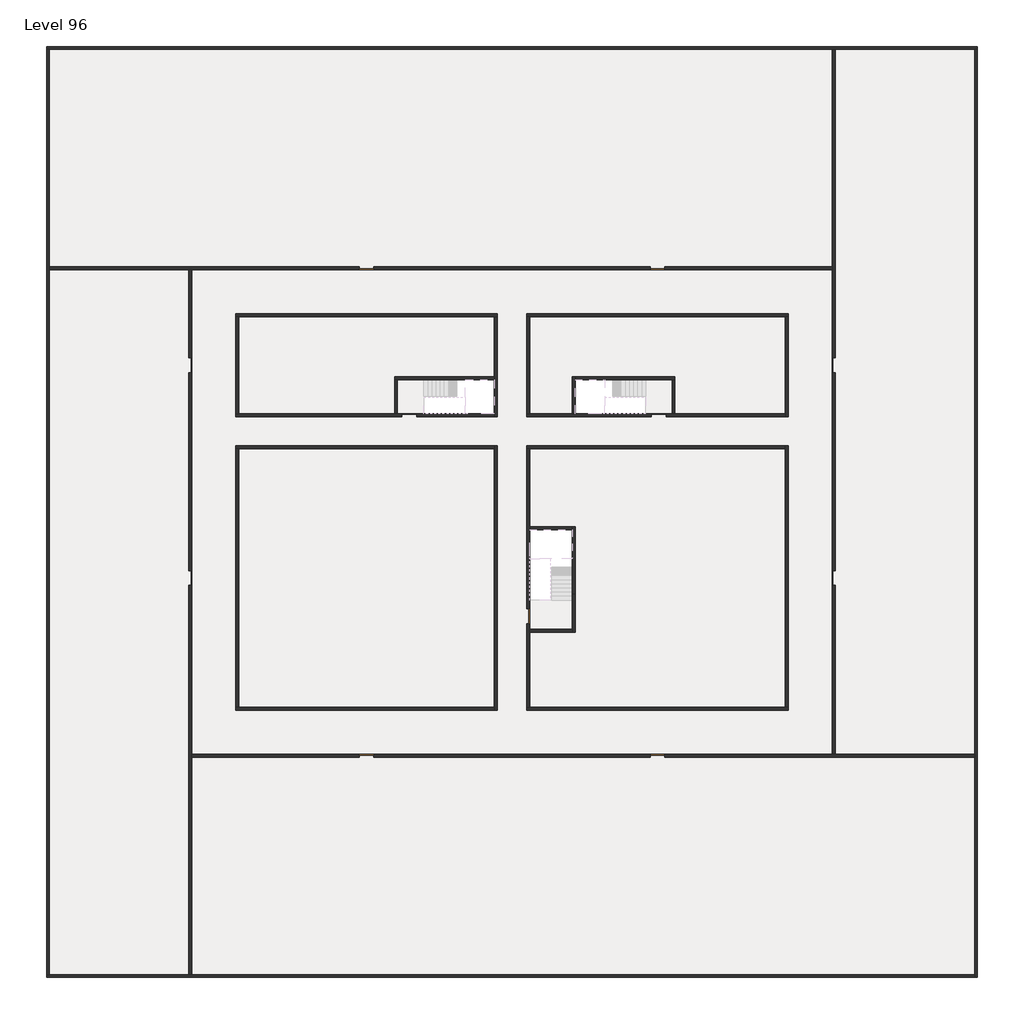
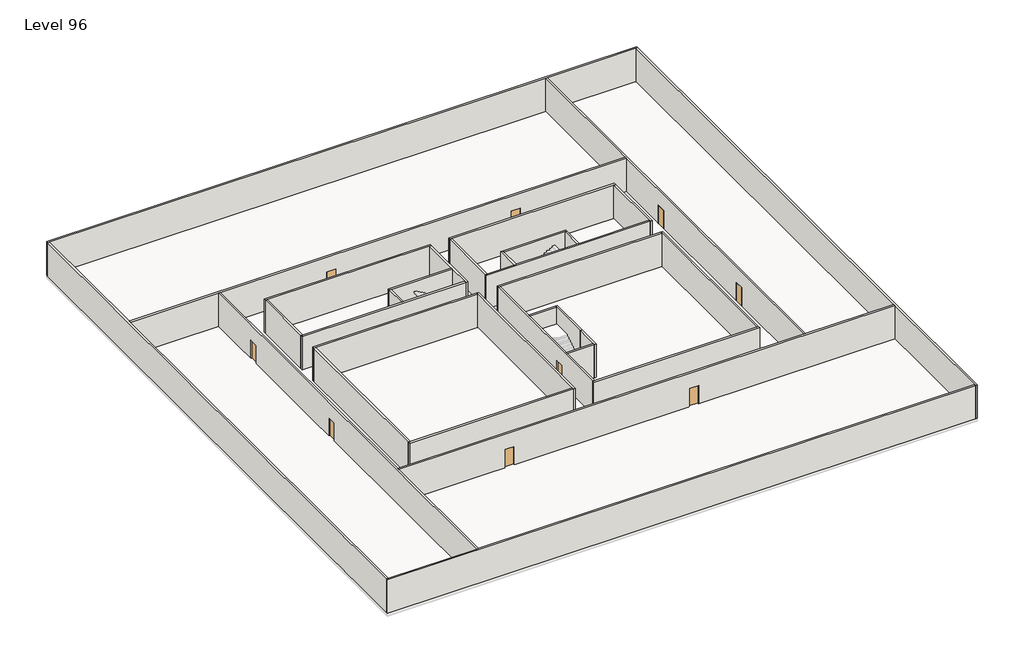
# One storey, part 1 of 2: 33 walls, 11 doors.
"""IFC4 building model written with IfcOpenShell, lengths in millimetres."""

import ifcopenshell
import ifcopenshell.guid

model = None  # the IFC model being written
_history = None  # IfcOwnerHistory: only IFC2X3 demands one
_inside = {}  # id of a spatial element -> (the spatial element, [elements in it])
_under = {}  # id of a project, library or spatial element -> (it, [spatial elements below it])
_declared = {}  # id of a project -> (the project, [libraries it declares])
_typed = {}  # id of a type object -> (the type object, [elements of that type])
_made_of = {}  # id of a material, layer set ... -> (it, [elements and type objects made of it])


def new_model(schema):
    """Start an empty IFC model of exactly this schema.

    Asked for "IFC4X3", IfcOpenShell would pick the latest addendum, in which some entities
    have other attributes; the version numbers below select the first issue.
    IFC2X3 requires an IfcOwnerHistory on every rooted entity: one is made here for all.
    """
    global model, _history
    if schema == "IFC4X3":
        model = ifcopenshell.file(schema_version=(4, 3, 0, 0))
    else:
        model = ifcopenshell.file(schema=schema)
    _inside.clear()
    _under.clear()
    _declared.clear()
    _typed.clear()
    _made_of.clear()
    _history = None
    if model.schema == "IFC2X3":
        org = make("IfcOrganization", Name="unknown")
        user = make(
            "IfcPersonAndOrganization",
            ThePerson=make("IfcPerson", FamilyName="unknown"),
            TheOrganization=org,
        )
        app = make(
            "IfcApplication",
            ApplicationDeveloper=org,
            Version="unknown",
            ApplicationFullName="unknown",
            ApplicationIdentifier="unknown",
        )
        _history = make(
            "IfcOwnerHistory",
            OwningUser=user,
            OwningApplication=app,
            ChangeAction="ADDED",
            CreationDate=0,
        )
    return model


def make(cls, **values):
    """One entity of the class cls with the attributes given. An attribute that is None is left unset."""
    return model.create_entity(
        cls, **{name: value for name, value in values.items() if value is not None}
    )


def rooted(cls, **values):
    """An entity with a GlobalId (a new one), such as an element, a storey or a relation."""
    return make(cls, GlobalId=ifcopenshell.guid.new(), OwnerHistory=_history, **values)


def si_unit(unit_type, name, prefix=None):
    """IfcSIUnit, for example si_unit("LENGTHUNIT", "METRE", prefix="MILLI")."""
    return make("IfcSIUnit", UnitType=unit_type, Prefix=prefix, Name=name)


def assignment(units):
    """IfcUnitAssignment: the units of a project."""
    return None if units is None else make("IfcUnitAssignment", Units=units)


def point(xyz):
    """IfcCartesianPoint."""
    return None if xyz is None else make("IfcCartesianPoint", Coordinates=xyz)


def direction(xyz):
    """IfcDirection."""
    return None if xyz is None else make("IfcDirection", DirectionRatios=xyz)


def frame(location, z_axis=None, x_axis=None):
    """IfcAxis2Placement3D, a coordinate frame: its origin and axes. An axis left out is left unset."""
    return make(
        "IfcAxis2Placement3D",
        Location=point(location),
        Axis=direction(z_axis),
        RefDirection=direction(x_axis),
    )


def origin():
    """The frame at (0, 0, 0) with its axes left unset."""
    return frame((0.0, 0.0, 0.0))


def origin_with_axes():
    """The frame at (0, 0, 0) with the z axis (0, 0, 1) and the x axis (1, 0, 0) written out."""
    return frame((0.0, 0.0, 0.0), z_axis=(0.0, 0.0, 1.0), x_axis=(1.0, 0.0, 0.0))


def place(relative_to, where):
    """IfcLocalPlacement: puts the frame where relative to a parent placement (None: the world)."""
    return make(
        "IfcLocalPlacement", PlacementRelTo=relative_to, RelativePlacement=where
    )


def context(
    kind, dimensions, precision=None, world=None, true_north=None, identifier=None
):
    """IfcGeometricRepresentationContext, for example the 3D "Model" context."""
    return make(
        "IfcGeometricRepresentationContext",
        ContextIdentifier=identifier,
        ContextType=kind,
        CoordinateSpaceDimension=dimensions,
        Precision=precision,
        WorldCoordinateSystem=world,
        TrueNorth=true_north,
    )


def project(units=None, contexts=None):
    """IfcProject with its units and contexts."""
    return rooted(
        "IfcProject",
        Name="project",
        RepresentationContexts=contexts,
        UnitsInContext=assignment(units),
    )


def spatial(cls, under=None, at=None, **own):
    """A site, building, storey or space (cls), placed at a placement, below another one or the project."""
    s = rooted(cls, ObjectPlacement=at, **own)
    if under is not None:
        _under.setdefault(under.id(), (under, []))[1].append(s)
    return s


def polyline(points):
    """IfcPolyline through the points."""
    return make("IfcPolyline", Points=[point(p) for p in points])


def outline(outer, holes=None, kind="AREA"):
    """IfcArbitraryClosedProfileDef: a profile drawn as a closed curve; with holes, ...WithVoids."""
    if holes is None:
        return make("IfcArbitraryClosedProfileDef", ProfileType=kind, OuterCurve=outer)
    return make(
        "IfcArbitraryProfileDefWithVoids",
        ProfileType=kind,
        OuterCurve=outer,
        InnerCurves=holes,
    )


def extrude(swept, where, along, depth):
    """IfcExtrudedAreaSolid: the profile swept, set in the frame where, extruded along a direction by depth."""
    return make(
        "IfcExtrudedAreaSolid",
        SweptArea=swept,
        Position=where,
        ExtrudedDirection=direction(along),
        Depth=depth,
    )


def faces_of(points, faces, orient=None, outer=None):
    """IfcFace entities. A face is a list of loops; a loop is a list of indices into points, from 0.

    orient and outer hold one flag for each loop. By default every Orientation is true, the
    first loop of a face is its IfcFaceOuterBound and the others are IfcFaceBound.
    """
    made = []
    for i, loops in enumerate(faces):
        bounds = []
        for j, loop in enumerate(loops):
            is_outer = j == 0 if outer is None else outer[i][j]
            bounds.append(
                make(
                    "IfcFaceOuterBound" if is_outer else "IfcFaceBound",
                    Bound=make("IfcPolyLoop", Polygon=[points[k] for k in loop]),
                    Orientation=True if orient is None else orient[i][j],
                )
            )
        made.append(make("IfcFace", Bounds=bounds))
    return made


def faceted_brep(points, faces, orient=None, outer=None, voids=None):
    """IfcFacetedBrep: a solid bounded by flat faces; with voids (closed shells), ...WithVoids."""
    shared = [point(p) for p in points]
    hull = make("IfcClosedShell", CfsFaces=faces_of(shared, faces, orient, outer))
    if voids is None:
        return make("IfcFacetedBrep", Outer=hull)
    return make(
        "IfcFacetedBrepWithVoids",
        Outer=hull,
        Voids=[
            make(cls, CfsFaces=faces_of(shared, fs, o, b)) for cls, fs, o, b in voids
        ],
    )


def shape(context_of_items, identifier, shape_type, items):
    """IfcShapeRepresentation: the items that make up one representation, for example the "Body"."""
    return make(
        "IfcShapeRepresentation",
        ContextOfItems=context_of_items,
        RepresentationIdentifier=identifier,
        RepresentationType=shape_type,
        Items=items,
    )


def source(mapping_origin, context_of_items, identifier, shape_type, items):
    """IfcRepresentationMap: a shape defined once, which mapped items show again and again."""
    return make(
        "IfcRepresentationMap",
        MappingOrigin=mapping_origin,
        MappedRepresentation=shape(context_of_items, identifier, shape_type, items),
    )


def transform(
    local_origin,
    x_axis=None,
    y_axis=None,
    z_axis=None,
    scale=None,
    scale2=None,
    scale3=None,
    uniform=True,
):
    """IfcCartesianTransformationOperator3D, or its non-uniform kind. x_axis, y_axis, z_axis: its Axis1, 2, 3."""
    if uniform:
        return make(
            "IfcCartesianTransformationOperator3D",
            Axis1=direction(x_axis),
            Axis2=direction(y_axis),
            LocalOrigin=point(local_origin),
            Scale=scale,
            Axis3=direction(z_axis),
        )
    return make(
        "IfcCartesianTransformationOperator3DnonUniform",
        Axis1=direction(x_axis),
        Axis2=direction(y_axis),
        LocalOrigin=point(local_origin),
        Scale=scale,
        Axis3=direction(z_axis),
        Scale2=scale2,
        Scale3=scale3,
    )


def mapped(mapping_source, mapping_target):
    """IfcMappedItem: shows the shape of a source again, moved by a transform."""
    return make(
        "IfcMappedItem", MappingSource=mapping_source, MappingTarget=mapping_target
    )


def made_of(thing, what):
    """Note that an element or type object is made of a material, layer set ...; save() writes the relation."""
    if what is not None:
        _made_of.setdefault(what.id(), (what, []))[1].append(thing)
    return thing


def element(
    cls,
    number,
    at=None,
    inside=None,
    cuts=None,
    type_object=None,
    material=None,
    context=None,
    identifier="Body",
    shape_type=None,
    held_by="IfcProductDefinitionShape",
    body=None,
    shapes=None,
    **own,
):
    """One element of the class cls, such as IfcWall. Its Tag is "e" and its number.

    at: its placement. inside: the storey or other place that contains it. cuts: it is an
    opening in that element (IfcRelVoidsElement). A single representation is given by context,
    identifier, shape_type and body (its items); several are given by shapes. held_by: the class
    of the entity that holds the representations. save() writes the other relations.
    """
    e = rooted(cls, Tag="e%d" % number, ObjectPlacement=at, **own)
    if body is not None:
        shapes = [shape(context, identifier, shape_type, body)]
    if shapes is not None:
        e.Representation = make(held_by, Representations=shapes)
    if inside is not None:
        _inside.setdefault(inside.id(), (inside, []))[1].append(e)
    if cuts is not None:
        rooted(
            "IfcRelVoidsElement", RelatingBuildingElement=cuts, RelatedOpeningElement=e
        )
    if type_object is not None:
        _typed.setdefault(type_object.id(), (type_object, []))[1].append(e)
    return made_of(e, material)


def aggregate(whole, parts):
    """IfcRelAggregates: a whole, such as a stair, and the parts it consists of."""
    return rooted("IfcRelAggregates", RelatingObject=whole, RelatedObjects=parts)


def save(model, path):
    """Write the relations noted so far, then the file.

    IfcRelAggregates (storeys below a building ...), IfcRelContainedInSpatialStructure (elements
    in a storey), IfcRelDefinesByType, IfcRelAssociatesMaterial and IfcRelDeclares: one each for
    every whole, place, type object, material and project.
    """
    for whole, parts in _under.values():
        aggregate(whole, parts)
    for where, things in _inside.values():
        rooted(
            "IfcRelContainedInSpatialStructure",
            RelatedElements=things,
            RelatingStructure=where,
        )
    for kind, things in _typed.values():
        rooted("IfcRelDefinesByType", RelatedObjects=things, RelatingType=kind)
    for what, things in _made_of.values():
        rooted("IfcRelAssociatesMaterial", RelatedObjects=things, RelatingMaterial=what)
    for by, libraries in _declared.values():
        rooted("IfcRelDeclares", RelatingContext=by, RelatedDefinitions=libraries)
    model.write(path)


def door_fb3c37fd(model_context):
    return source(origin(), model_context, "Body", "SweptSolid", [
        extrude(outline(polyline([(500.0, 49.0), (-500.0, 49.0), (-500.0, 100.0), (500.0, 100.0), (500.0, 49.0)])), origin_with_axes(), (0.0, 0.0, 1.0), 2100.0),
    ])


def door_0317a72c(model_context):
    return source(origin(), model_context, "Body", "SweptSolid", [
        extrude(outline(polyline([(500.0, -49.0), (500.0, -100.0), (-500.0, -100.0), (-500.0, -49.0), (500.0, -49.0)])), origin_with_axes(), (0.0, 0.0, 1.0), 2100.0),
    ])


model = new_model("IFC4")

# Units and contexts
model_context = context("Model", 3, world=origin())
ifc_project = project(units=[si_unit("LENGTHUNIT", "METRE", prefix="MILLI")], contexts=[model_context])

# Site, building, storey
site = spatial("IfcSite", under=ifc_project)
building = spatial("IfcBuilding", under=site)
storey = spatial("IfcBuildingStorey", under=building, Name="Level 96", Elevation=361000.0)

# Doors
placement = place(None, origin())
door_shape = door_fb3c37fd(model_context)
element("IfcDoor", 1, at=placement, inside=storey, context=model_context, shape_type="MappedRepresentation", body=[
    mapped(door_shape, transform((34190.1058784, -30618.09644, 361000.0), x_axis=(1.0, 0.0, 0.0), y_axis=(0.0, 1.0, 0.0), z_axis=(0.0, 0.0, 1.0))),
])
element("IfcDoor", 2, at=placement, inside=storey, context=model_context, shape_type="MappedRepresentation", body=[
    mapped(door_shape, transform((25290.1058784, -44318.09644, 361000.0), x_axis=(0.0, -1.0, 0.0), y_axis=(1.0, 0.0, 0.0), z_axis=(0.0, 0.0, 1.0))),
])
element("IfcDoor", 3, at=placement, inside=storey, context=model_context, shape_type="MappedRepresentation", body=[
    mapped(door_shape, transform((2290.1058784, -41718.09644, 361000.0), x_axis=(0.0, -1.0, 0.0), y_axis=(1.0, 0.0, 0.0), z_axis=(0.0, 0.0, 1.0))),
])
element("IfcDoor", 4, at=placement, inside=storey, context=model_context, shape_type="MappedRepresentation", body=[
    mapped(door_shape, transform((2290.1058784, -27218.09644, 361000.0), x_axis=(0.0, -1.0, 0.0), y_axis=(1.0, 0.0, 0.0), z_axis=(0.0, 0.0, 1.0))),
])
element("IfcDoor", 5, at=placement, inside=storey, context=model_context, shape_type="MappedRepresentation", body=[
    mapped(door_shape, transform((14290.1058784, -20618.09644, 361000.0), x_axis=(-1.0, 0.0, 0.0), y_axis=(0.0, -1.0, 0.0), z_axis=(0.0, 0.0, 1.0))),
])
element("IfcDoor", 6, at=placement, inside=storey, context=model_context, shape_type="MappedRepresentation", body=[
    mapped(door_shape, transform((34090.1058784, -20618.09644, 361000.0), x_axis=(-1.0, 0.0, 0.0), y_axis=(0.0, -1.0, 0.0), z_axis=(0.0, 0.0, 1.0))),
])
element("IfcDoor", 7, at=placement, inside=storey, context=model_context, shape_type="MappedRepresentation", body=[
    mapped(door_shape, transform((46090.1058784, -27218.09644, 361000.0), x_axis=(0.0, 1.0, 0.0), y_axis=(-1.0, 0.0, 0.0), z_axis=(0.0, 0.0, 1.0))),
])
element("IfcDoor", 8, at=placement, inside=storey, context=model_context, shape_type="MappedRepresentation", body=[
    mapped(door_shape, transform((46090.1058784, -41718.09644, 361000.0), x_axis=(0.0, 1.0, 0.0), y_axis=(-1.0, 0.0, 0.0), z_axis=(0.0, 0.0, 1.0))),
])
element("IfcDoor", 9, at=placement, inside=storey, context=model_context, shape_type="MappedRepresentation", body=[
    mapped(door_shape, transform((34090.1058784, -53818.09644, 361000.0), x_axis=(1.0, 0.0, 0.0), y_axis=(0.0, 1.0, 0.0), z_axis=(0.0, 0.0, 1.0))),
])
element("IfcDoor", 10, at=placement, inside=storey, context=model_context, shape_type="MappedRepresentation", body=[
    mapped(door_shape, transform((14290.1058784, -53818.09644, 361000.0), x_axis=(1.0, 0.0, 0.0), y_axis=(0.0, 1.0, 0.0), z_axis=(0.0, 0.0, 1.0))),
])
door_2_shape = door_0317a72c(model_context)
element("IfcDoor", 11, at=placement, inside=storey, context=model_context, shape_type="MappedRepresentation", body=[
    mapped(door_2_shape, transform((17190.1058784, -30618.09644, 361000.0), x_axis=(-1.0, 0.0, 0.0), y_axis=(0.0, -1.0, 0.0), z_axis=(0.0, 0.0, 1.0))),
])

# Walls
element("IfcWall", 12, at=placement, inside=storey, context=model_context, shape_type="Brep", body=[
    faceted_brep([(-7509.8941216, -5718.09644, 361000.0), (-7309.8941216, -5718.09644, 361000.0), (45990.1058784, -5718.09644, 361000.0), (46190.1058784, -5718.09644, 361000.0), (55690.1058784, -5718.09644, 361000.0), (55890.1058784, -5718.09644, 361000.0), (55890.1058784, -5718.09644, 364800.0), (55690.1058784, -5718.09644, 364800.0), (46190.1058784, -5718.09644, 364800.0), (45990.1058784, -5718.09644, 364800.0), (-7309.8941216, -5718.09644, 364800.0), (-7509.8941216, -5718.09644, 364800.0), (-7509.8941216, -5518.09644, 361000.0), (-7509.8941216, -5518.09644, 364800.0), (55890.1058784, -5518.09644, 364800.0), (55890.1058784, -5518.09644, 361000.0)], [[[0, 1, 2, 3, 4, 5, 6, 7, 8, 9, 10, 11]], [[12, 13, 14, 15]], [[5, 4, 3, 2, 1, 0, 12, 15]], [[11, 10, 9, 8, 7, 6, 14, 13]], [[0, 11, 13, 12]], [[6, 5, 15, 14]]]),
])
element("IfcWall", 13, at=placement, inside=storey, context=model_context, shape_type="Brep", body=[
    faceted_brep([(55690.1058784, -5718.09644, 361000.0), (55690.1058784, -53718.09644, 361000.0), (55690.1058784, -53918.09644, 361000.0), (55690.1058784, -68718.09644, 361000.0), (55690.1058784, -68918.09644, 361000.0), (55690.1058784, -68918.09644, 364800.0), (55690.1058784, -68718.09644, 364800.0), (55690.1058784, -53918.09644, 364800.0), (55690.1058784, -53718.09644, 364800.0), (55690.1058784, -5718.09644, 364800.0), (55890.1058784, -5718.09644, 361000.0), (55890.1058784, -5718.09644, 364800.0), (55890.1058784, -68918.09644, 364800.0), (55890.1058784, -68918.09644, 361000.0)], [[[0, 1, 2, 3, 4, 5, 6, 7, 8, 9]], [[10, 11, 12, 13]], [[4, 3, 2, 1, 0, 10, 13]], [[9, 8, 7, 6, 5, 12, 11]], [[5, 4, 13, 12]], [[0, 9, 11, 10]]]),
])
element("IfcWall", 14, at=placement, inside=storey, context=model_context, shape_type="Brep", body=[
    faceted_brep([(55690.1058784, -68718.09644, 361000.0), (2390.1058784, -68718.09644, 361000.0), (2190.1058784, -68718.09644, 361000.0), (-7309.8941216, -68718.09644, 361000.0), (-7509.8941216, -68718.09644, 361000.0), (-7509.8941216, -68718.09644, 364800.0), (-7309.8941216, -68718.09644, 364800.0), (2190.1058784, -68718.09644, 364800.0), (2390.1058784, -68718.09644, 364800.0), (55690.1058784, -68718.09644, 364800.0), (55690.1058784, -68918.09644, 361000.0), (55690.1058784, -68918.09644, 364800.0), (-7509.8941216, -68918.09644, 364800.0), (-7509.8941216, -68918.09644, 361000.0)], [[[0, 1, 2, 3, 4, 5, 6, 7, 8, 9]], [[10, 11, 12, 13]], [[4, 3, 2, 1, 0, 10, 13]], [[9, 8, 7, 6, 5, 12, 11]], [[5, 4, 13, 12]], [[0, 9, 11, 10]]]),
])
element("IfcWall", 15, at=placement, inside=storey, context=model_context, shape_type="Brep", body=[
    faceted_brep([(-7309.8941216, -68718.09644, 361000.0), (-7309.8941216, -20718.09644, 361000.0), (-7309.8941216, -20518.09644, 361000.0), (-7309.8941216, -5718.09644, 361000.0), (-7309.8941216, -5718.09644, 364800.0), (-7309.8941216, -20518.09644, 364800.0), (-7309.8941216, -20718.09644, 364800.0), (-7309.8941216, -68718.09644, 364800.0), (-7509.8941216, -68718.09644, 361000.0), (-7509.8941216, -68718.09644, 364800.0), (-7509.8941216, -5718.09644, 364800.0), (-7509.8941216, -5718.09644, 361000.0)], [[[0, 1, 2, 3, 4, 5, 6, 7]], [[8, 9, 10, 11]], [[3, 2, 1, 0, 8, 11]], [[7, 6, 5, 4, 10, 9]], [[0, 7, 9, 8]], [[4, 3, 11, 10]]]),
])
element("IfcWall", 16, at=placement, inside=storey, context=model_context, shape_type="Brep", body=[
    faceted_brep([(5390.1058784, -23918.09644, 361000.0), (5590.1058784, -23918.09644, 361000.0), (22990.1058784, -23918.09644, 361000.0), (23190.1058784, -23918.09644, 361000.0), (23190.1058784, -23918.09644, 364800.0), (22990.1058784, -23918.09644, 364800.0), (5590.1058784, -23918.09644, 364800.0), (5390.1058784, -23918.09644, 364800.0), (5390.1058784, -23718.09644, 361000.0), (5390.1058784, -23718.09644, 364800.0), (23190.1058784, -23718.09644, 364800.0), (23190.1058784, -23718.09644, 361000.0)], [[[0, 1, 2, 3, 4, 5, 6, 7]], [[8, 9, 10, 11]], [[3, 2, 1, 0, 8, 11]], [[7, 6, 5, 4, 10, 9]], [[4, 3, 11, 10]], [[0, 7, 9, 8]]]),
])
element("IfcWall", 17, at=placement, inside=storey, context=model_context, shape_type="Brep", body=[
    faceted_brep([(22990.1058784, -23918.09644, 361000.0), (22990.1058784, -28018.09644, 361000.0), (22990.1058784, -28218.09644, 361000.0), (22990.1058784, -30518.09644, 361000.0), (22990.1058784, -30718.09644, 361000.0), (22990.1058784, -30718.09644, 364800.0), (22990.1058784, -30518.09644, 364800.0), (22990.1058784, -28218.09644, 364800.0), (22990.1058784, -28018.09644, 364800.0), (22990.1058784, -23918.09644, 364800.0), (23190.1058784, -23918.09644, 361000.0), (23190.1058784, -23918.09644, 364800.0), (23190.1058784, -30718.09644, 364800.0), (23190.1058784, -30718.09644, 361000.0)], [[[0, 1, 2, 3, 4, 5, 6, 7, 8, 9]], [[10, 11, 12, 13]], [[4, 3, 2, 1, 0, 10, 13]], [[9, 8, 7, 6, 5, 12, 11]], [[0, 9, 11, 10]], [[5, 4, 13, 12]]]),
])
element("IfcWall", 18, at=placement, inside=storey, context=model_context, shape_type="Brep", body=[
    faceted_brep([(25190.1058784, -44818.09644, 363100.0), (25190.1058784, -44818.09644, 361000.0), (25190.1058784, -50518.09644, 361000.0), (25190.1058784, -50518.09644, 364800.0), (25190.1058784, -32918.09644, 364800.0), (25190.1058784, -32918.09644, 361000.0), (25190.1058784, -43818.09644, 361000.0), (25190.1058784, -43818.09644, 363100.0), (25390.1058784, -50518.09644, 361000.0), (25390.1058784, -45418.09644, 361000.0), (25390.1058784, -45218.09644, 361000.0), (25390.1058784, -44818.09644, 361000.0), (25390.1058784, -44818.09644, 363100.0), (25390.1058784, -43818.09644, 363100.0), (25390.1058784, -43818.09644, 361000.0), (25390.1058784, -38418.09644, 361000.0), (25390.1058784, -38218.09644, 361000.0), (25390.1058784, -32918.09644, 361000.0), (25390.1058784, -32918.09644, 364800.0), (25390.1058784, -38218.09644, 364800.0), (25390.1058784, -38418.09644, 364800.0), (25390.1058784, -45218.09644, 364800.0), (25390.1058784, -45418.09644, 364800.0), (25390.1058784, -50518.09644, 364800.0)], [[[0, 1, 2, 3, 4, 5, 6, 7]], [[8, 9, 10, 11, 12, 13, 14, 15, 16, 17, 18, 19, 20, 21, 22, 23]], [[6, 5, 17, 16, 15, 14]], [[2, 1, 11, 10, 9, 8]], [[4, 3, 23, 22, 21, 20, 19, 18]], [[12, 11, 1, 0]], [[13, 12, 0, 7]], [[14, 13, 7, 6]], [[5, 4, 18, 17]], [[3, 2, 8, 23]]]),
])
element("IfcWall", 19, at=placement, inside=storey, context=model_context, shape_type="Brep", body=[
    faceted_brep([(22990.1058784, -32718.09644, 361000.0), (22990.1058784, -32918.09644, 361000.0), (22990.1058784, -50518.09644, 361000.0), (22990.1058784, -50718.09644, 361000.0), (22990.1058784, -50718.09644, 364800.0), (22990.1058784, -50518.09644, 364800.0), (22990.1058784, -32918.09644, 364800.0), (22990.1058784, -32718.09644, 364800.0), (23190.1058784, -32718.09644, 361000.0), (23190.1058784, -32718.09644, 364800.0), (23190.1058784, -50718.09644, 364800.0), (23190.1058784, -50718.09644, 361000.0)], [[[0, 1, 2, 3, 4, 5, 6, 7]], [[8, 9, 10, 11]], [[3, 2, 1, 0, 8, 11]], [[7, 6, 5, 4, 10, 9]], [[4, 3, 11, 10]], [[0, 7, 9, 8]]]),
])
element("IfcWall", 20, at=placement, inside=storey, context=model_context, shape_type="Brep", body=[
    faceted_brep([(22990.1058784, -50518.09644, 361000.0), (5590.1058784, -50518.09644, 361000.0), (5390.1058784, -50518.09644, 361000.0), (5390.1058784, -50518.09644, 364800.0), (5590.1058784, -50518.09644, 364800.0), (22990.1058784, -50518.09644, 364800.0), (22990.1058784, -50718.09644, 361000.0), (22990.1058784, -50718.09644, 364800.0), (5390.1058784, -50718.09644, 364800.0), (5390.1058784, -50718.09644, 361000.0)], [[[0, 1, 2, 3, 4, 5]], [[6, 7, 8, 9]], [[2, 1, 0, 6, 9]], [[5, 4, 3, 8, 7]], [[0, 5, 7, 6]], [[3, 2, 9, 8]]]),
])
element("IfcWall", 21, at=placement, inside=storey, context=model_context, shape_type="Brep", body=[
    faceted_brep([(28290.1058784, -42818.09644, 361000.0), (28290.1058784, -45218.09644, 361000.0), (28290.1058784, -45418.09644, 361000.0), (28290.1058784, -45418.09644, 364800.0), (28290.1058784, -45218.09644, 364800.0), (28290.1058784, -42818.09644, 364800.0), (28490.1058784, -42818.09644, 361000.0), (28490.1058784, -42818.09644, 364800.0), (28490.1058784, -45418.09644, 364800.0), (28490.1058784, -45418.09644, 361000.0)], [[[0, 1, 2, 3, 4, 5]], [[6, 7, 8, 9]], [[2, 1, 0, 6, 9]], [[5, 4, 3, 8, 7]], [[0, 5, 7, 6]], [[3, 2, 9, 8]]]),
])
element("IfcWall", 22, at=placement, inside=storey, context=model_context, shape_type="SweptSolid", body=[
    extrude(outline(polyline([(5390.1058784, -30518.09644), (5390.1058784, -23918.09644), (5590.1058784, -23918.09644), (5590.1058784, -30518.09644), (5390.1058784, -30518.09644)])), frame((0.0, 0.0, 361000.0), z_axis=(0.0, 0.0, 1.0), x_axis=(1.0, 0.0, 0.0)), (0.0, 0.0, 1.0), 3800.0),
])
element("IfcWall", 23, at=placement, inside=storey, context=model_context, shape_type="Brep", body=[
    faceted_brep([(5390.1058784, -30718.09644, 361000.0), (16690.1058784, -30718.09644, 361000.0), (16690.1058784, -30718.09644, 363100.0), (17690.1058784, -30718.09644, 363100.0), (17690.1058784, -30718.09644, 361000.0), (22990.1058784, -30718.09644, 361000.0), (22990.1058784, -30718.09644, 364800.0), (5390.1058784, -30718.09644, 364800.0), (16690.1058784, -30518.09644, 363100.0), (16690.1058784, -30518.09644, 361000.0), (16390.1058784, -30518.09644, 361000.0), (16190.1058784, -30518.09644, 361000.0), (5590.1058784, -30518.09644, 361000.0), (5390.1058784, -30518.09644, 361000.0), (5390.1058784, -30518.09644, 364800.0), (5590.1058784, -30518.09644, 364800.0), (16190.1058784, -30518.09644, 364800.0), (16390.1058784, -30518.09644, 364800.0), (22990.1058784, -30518.09644, 364800.0), (22990.1058784, -30518.09644, 361000.0), (17690.1058784, -30518.09644, 361000.0), (17690.1058784, -30518.09644, 363100.0)], [[[0, 1, 2, 3, 4, 5, 6, 7]], [[8, 9, 10, 11, 12, 13, 14, 15, 16, 17, 18, 19, 20, 21]], [[20, 19, 5, 4]], [[13, 12, 11, 10, 9, 1, 0]], [[7, 6, 18, 17, 16, 15, 14]], [[2, 1, 9, 8]], [[3, 2, 8, 21]], [[4, 3, 21, 20]], [[0, 7, 14, 13]], [[6, 5, 19, 18]]]),
])
element("IfcWall", 24, at=placement, inside=storey, context=model_context, shape_type="Brep", body=[
    faceted_brep([(28490.1058784, -42818.09644, 361000.0), (28490.1058784, -38218.09644, 361000.0), (28490.1058784, -38218.09644, 364800.0), (28490.1058784, -42818.09644, 364800.0), (28290.1058784, -42818.09644, 361000.0), (28290.1058784, -42818.09644, 364800.0), (28290.1058784, -38418.09644, 364800.0), (28290.1058784, -38218.09644, 364800.0), (28290.1058784, -38218.09644, 361000.0), (28290.1058784, -38418.09644, 361000.0)], [[[0, 1, 2, 3]], [[4, 5, 6, 7, 8, 9]], [[1, 0, 4, 9, 8]], [[3, 2, 7, 6, 5]], [[0, 3, 5, 4]], [[2, 1, 8, 7]]]),
])
element("IfcWall", 25, at=placement, inside=storey, context=model_context, shape_type="SweptSolid", body=[
    extrude(outline(polyline([(25390.1058784, -38218.09644), (28290.1058784, -38218.09644), (28290.1058784, -38418.09644), (25390.1058784, -38418.09644), (25390.1058784, -38218.09644)])), frame((0.0, 0.0, 361000.0), z_axis=(0.0, 0.0, 1.0), x_axis=(1.0, 0.0, 0.0)), (0.0, 0.0, 1.0), 3800.0),
])
element("IfcWall", 26, at=placement, inside=storey, context=model_context, shape_type="SweptSolid", body=[
    extrude(outline(polyline([(28290.1058784, -45418.09644), (25390.1058784, -45418.09644), (25390.1058784, -45218.09644), (28290.1058784, -45218.09644), (28290.1058784, -45418.09644)])), frame((0.0, 0.0, 361000.0), z_axis=(0.0, 0.0, 1.0), x_axis=(1.0, 0.0, 0.0)), (0.0, 0.0, 1.0), 3800.0),
])
element("IfcWall", 27, at=placement, inside=storey, context=model_context, shape_type="Brep", body=[
    faceted_brep([(5390.1058784, -32918.09644, 361000.0), (5590.1058784, -32918.09644, 361000.0), (22990.1058784, -32918.09644, 361000.0), (22990.1058784, -32918.09644, 364800.0), (5590.1058784, -32918.09644, 364800.0), (5390.1058784, -32918.09644, 364800.0), (5390.1058784, -32718.09644, 361000.0), (5390.1058784, -32718.09644, 364800.0), (22990.1058784, -32718.09644, 364800.0), (22990.1058784, -32718.09644, 361000.0)], [[[0, 1, 2, 3, 4, 5]], [[6, 7, 8, 9]], [[2, 1, 0, 6, 9]], [[5, 4, 3, 8, 7]], [[3, 2, 9, 8]], [[0, 5, 7, 6]]]),
])
element("IfcWall", 28, at=placement, inside=storey, context=model_context, shape_type="SweptSolid", body=[
    extrude(outline(polyline([(5390.1058784, -50518.09644), (5390.1058784, -32918.09644), (5590.1058784, -32918.09644), (5590.1058784, -50518.09644), (5390.1058784, -50518.09644)])), frame((0.0, 0.0, 361000.0), z_axis=(0.0, 0.0, 1.0), x_axis=(1.0, 0.0, 0.0)), (0.0, 0.0, 1.0), 3800.0),
])
element("IfcWall", 29, at=placement, inside=storey, context=model_context, shape_type="Brep", body=[
    faceted_brep([(25190.1058784, -50718.09644, 361000.0), (42990.1058784, -50718.09644, 361000.0), (42990.1058784, -50718.09644, 364800.0), (25190.1058784, -50718.09644, 364800.0), (25190.1058784, -50518.09644, 361000.0), (25190.1058784, -50518.09644, 364800.0), (25390.1058784, -50518.09644, 364800.0), (42790.1058784, -50518.09644, 364800.0), (42990.1058784, -50518.09644, 364800.0), (42990.1058784, -50518.09644, 361000.0), (42790.1058784, -50518.09644, 361000.0), (25390.1058784, -50518.09644, 361000.0)], [[[0, 1, 2, 3]], [[4, 5, 6, 7, 8, 9, 10, 11]], [[1, 0, 4, 11, 10, 9]], [[3, 2, 8, 7, 6, 5]], [[2, 1, 9, 8]], [[0, 3, 5, 4]]]),
])
element("IfcWall", 30, at=placement, inside=storey, context=model_context, shape_type="Brep", body=[
    faceted_brep([(42990.1058784, -50518.09644, 361000.0), (42990.1058784, -32718.09644, 361000.0), (42990.1058784, -32718.09644, 364800.0), (42990.1058784, -50518.09644, 364800.0), (42790.1058784, -50518.09644, 361000.0), (42790.1058784, -50518.09644, 364800.0), (42790.1058784, -32918.09644, 364800.0), (42790.1058784, -32718.09644, 364800.0), (42790.1058784, -32718.09644, 361000.0), (42790.1058784, -32918.09644, 361000.0)], [[[0, 1, 2, 3]], [[4, 5, 6, 7, 8, 9]], [[1, 0, 4, 9, 8]], [[3, 2, 7, 6, 5]], [[0, 3, 5, 4]], [[2, 1, 8, 7]]]),
])
element("IfcWall", 31, at=placement, inside=storey, context=model_context, shape_type="Brep", body=[
    faceted_brep([(42790.1058784, -32718.09644, 361000.0), (25190.1058784, -32718.09644, 361000.0), (25190.1058784, -32718.09644, 364800.0), (42790.1058784, -32718.09644, 364800.0), (42790.1058784, -32918.09644, 361000.0), (42790.1058784, -32918.09644, 364800.0), (25390.1058784, -32918.09644, 364800.0), (25190.1058784, -32918.09644, 364800.0), (25190.1058784, -32918.09644, 361000.0), (25390.1058784, -32918.09644, 361000.0)], [[[0, 1, 2, 3]], [[4, 5, 6, 7, 8, 9]], [[1, 0, 4, 9, 8]], [[3, 2, 7, 6, 5]], [[0, 3, 5, 4]], [[2, 1, 8, 7]]]),
])
element("IfcWall", 32, at=placement, inside=storey, context=model_context, shape_type="Brep", body=[
    faceted_brep([(25190.1058784, -23918.09644, 361000.0), (25390.1058784, -23918.09644, 361000.0), (42790.1058784, -23918.09644, 361000.0), (42990.1058784, -23918.09644, 361000.0), (42990.1058784, -23918.09644, 364800.0), (42790.1058784, -23918.09644, 364800.0), (25390.1058784, -23918.09644, 364800.0), (25190.1058784, -23918.09644, 364800.0), (25190.1058784, -23718.09644, 361000.0), (25190.1058784, -23718.09644, 364800.0), (42990.1058784, -23718.09644, 364800.0), (42990.1058784, -23718.09644, 361000.0)], [[[0, 1, 2, 3, 4, 5, 6, 7]], [[8, 9, 10, 11]], [[3, 2, 1, 0, 8, 11]], [[7, 6, 5, 4, 10, 9]], [[0, 7, 9, 8]], [[4, 3, 11, 10]]]),
])
element("IfcWall", 33, at=placement, inside=storey, context=model_context, shape_type="Brep", body=[
    faceted_brep([(42790.1058784, -23918.09644, 361000.0), (42790.1058784, -30518.09644, 361000.0), (42790.1058784, -30718.09644, 361000.0), (42790.1058784, -30718.09644, 364800.0), (42790.1058784, -30518.09644, 364800.0), (42790.1058784, -23918.09644, 364800.0), (42990.1058784, -23918.09644, 361000.0), (42990.1058784, -23918.09644, 364800.0), (42990.1058784, -30718.09644, 364800.0), (42990.1058784, -30718.09644, 361000.0)], [[[0, 1, 2, 3, 4, 5]], [[6, 7, 8, 9]], [[2, 1, 0, 6, 9]], [[5, 4, 3, 8, 7]], [[0, 5, 7, 6]], [[3, 2, 9, 8]]]),
])
element("IfcWall", 34, at=placement, inside=storey, context=model_context, shape_type="Brep", body=[
    faceted_brep([(42790.1058784, -30518.09644, 361000.0), (35290.1058784, -30518.09644, 361000.0), (35090.1058784, -30518.09644, 361000.0), (34690.1058784, -30518.09644, 361000.0), (34690.1058784, -30518.09644, 363100.0), (33690.1058784, -30518.09644, 363100.0), (33690.1058784, -30518.09644, 361000.0), (28490.1058784, -30518.09644, 361000.0), (28290.1058784, -30518.09644, 361000.0), (25390.1058784, -30518.09644, 361000.0), (25190.1058784, -30518.09644, 361000.0), (25190.1058784, -30518.09644, 364800.0), (25390.1058784, -30518.09644, 364800.0), (28290.1058784, -30518.09644, 364800.0), (28490.1058784, -30518.09644, 364800.0), (35090.1058784, -30518.09644, 364800.0), (35290.1058784, -30518.09644, 364800.0), (42790.1058784, -30518.09644, 364800.0), (34690.1058784, -30718.09644, 363100.0), (34690.1058784, -30718.09644, 361000.0), (42790.1058784, -30718.09644, 361000.0), (42790.1058784, -30718.09644, 364800.0), (25190.1058784, -30718.09644, 364800.0), (25190.1058784, -30718.09644, 361000.0), (33690.1058784, -30718.09644, 361000.0), (33690.1058784, -30718.09644, 363100.0)], [[[0, 1, 2, 3, 4, 5, 6, 7, 8, 9, 10, 11, 12, 13, 14, 15, 16, 17]], [[18, 19, 20, 21, 22, 23, 24, 25]], [[24, 23, 10, 9, 8, 7, 6]], [[20, 19, 3, 2, 1, 0]], [[17, 16, 15, 14, 13, 12, 11, 22, 21]], [[4, 3, 19, 18]], [[5, 4, 18, 25]], [[6, 5, 25, 24]], [[11, 10, 23, 22]], [[0, 17, 21, 20]]]),
])
element("IfcWall", 35, at=placement, inside=storey, context=model_context, shape_type="SweptSolid", body=[
    extrude(outline(polyline([(25390.1058784, -23918.09644), (25390.1058784, -30518.09644), (25190.1058784, -30518.09644), (25190.1058784, -23918.09644), (25390.1058784, -23918.09644)])), frame((0.0, 0.0, 361000.0), z_axis=(0.0, 0.0, 1.0), x_axis=(1.0, 0.0, 0.0)), (0.0, 0.0, 1.0), 3800.0),
])
element("IfcWall", 36, at=placement, inside=storey, context=model_context, shape_type="Brep", body=[
    faceted_brep([(28490.1058784, -30518.09644, 361000.0), (28490.1058784, -28218.09644, 361000.0), (28490.1058784, -28018.09644, 361000.0), (28490.1058784, -28018.09644, 364800.0), (28490.1058784, -28218.09644, 364800.0), (28490.1058784, -30518.09644, 364800.0), (28290.1058784, -30518.09644, 361000.0), (28290.1058784, -30518.09644, 364800.0), (28290.1058784, -28018.09644, 364800.0), (28290.1058784, -28018.09644, 361000.0)], [[[0, 1, 2, 3, 4, 5]], [[6, 7, 8, 9]], [[2, 1, 0, 6, 9]], [[5, 4, 3, 8, 7]], [[3, 2, 9, 8]], [[0, 5, 7, 6]]]),
])
element("IfcWall", 37, at=placement, inside=storey, context=model_context, shape_type="Brep", body=[
    faceted_brep([(28490.1058784, -28218.09644, 361000.0), (35090.1058784, -28218.09644, 361000.0), (35290.1058784, -28218.09644, 361000.0), (35290.1058784, -28218.09644, 364800.0), (35090.1058784, -28218.09644, 364800.0), (28490.1058784, -28218.09644, 364800.0), (28490.1058784, -28018.09644, 361000.0), (28490.1058784, -28018.09644, 364800.0), (35290.1058784, -28018.09644, 364800.0), (35290.1058784, -28018.09644, 361000.0)], [[[0, 1, 2, 3, 4, 5]], [[6, 7, 8, 9]], [[2, 1, 0, 6, 9]], [[5, 4, 3, 8, 7]], [[0, 5, 7, 6]], [[3, 2, 9, 8]]]),
])
element("IfcWall", 38, at=placement, inside=storey, context=model_context, shape_type="SweptSolid", body=[
    extrude(outline(polyline([(35090.1058784, -30518.09644), (35090.1058784, -28218.09644), (35290.1058784, -28218.09644), (35290.1058784, -30518.09644), (35090.1058784, -30518.09644)])), frame((0.0, 0.0, 361000.0), z_axis=(0.0, 0.0, 1.0), x_axis=(1.0, 0.0, 0.0)), (0.0, 0.0, 1.0), 3800.0),
])
element("IfcWall", 39, at=placement, inside=storey, context=model_context, shape_type="Brep", body=[
    faceted_brep([(22990.1058784, -28018.09644, 361000.0), (16190.1058784, -28018.09644, 361000.0), (16190.1058784, -28018.09644, 364800.0), (22990.1058784, -28018.09644, 364800.0), (22990.1058784, -28218.09644, 361000.0), (22990.1058784, -28218.09644, 364800.0), (16390.1058784, -28218.09644, 364800.0), (16190.1058784, -28218.09644, 364800.0), (16190.1058784, -28218.09644, 361000.0), (16390.1058784, -28218.09644, 361000.0)], [[[0, 1, 2, 3]], [[4, 5, 6, 7, 8, 9]], [[1, 0, 4, 9, 8]], [[3, 2, 7, 6, 5]], [[0, 3, 5, 4]], [[2, 1, 8, 7]]]),
])
element("IfcWall", 40, at=placement, inside=storey, context=model_context, shape_type="SweptSolid", body=[
    extrude(outline(polyline([(16190.1058784, -30518.09644), (16190.1058784, -28218.09644), (16390.1058784, -28218.09644), (16390.1058784, -30518.09644), (16190.1058784, -30518.09644)])), frame((0.0, 0.0, 361000.0), z_axis=(0.0, 0.0, 1.0), x_axis=(1.0, 0.0, 0.0)), (0.0, 0.0, 1.0), 3800.0),
])
element("IfcWall", 41, at=placement, inside=storey, context=model_context, shape_type="Brep", body=[
    faceted_brep([(14790.1058784, -20718.09644, 361000.0), (33590.1058784, -20718.09644, 361000.0), (33590.1058784, -20718.09644, 363100.0), (34590.1058784, -20718.09644, 363100.0), (34590.1058784, -20718.09644, 361000.0), (45990.1058784, -20718.09644, 361000.0), (45990.1058784, -20718.09644, 364800.0), (2390.1058784, -20718.09644, 364800.0), (2190.1058784, -20718.09644, 364800.0), (-7309.8941216, -20718.09644, 364800.0), (-7309.8941216, -20718.09644, 361000.0), (2190.1058784, -20718.09644, 361000.0), (2390.1058784, -20718.09644, 361000.0), (13790.1058784, -20718.09644, 361000.0), (13790.1058784, -20718.09644, 363100.0), (14790.1058784, -20718.09644, 363100.0), (33590.1058784, -20518.09644, 363100.0), (33590.1058784, -20518.09644, 361000.0), (14790.1058784, -20518.09644, 361000.0), (14790.1058784, -20518.09644, 363100.0), (13790.1058784, -20518.09644, 363100.0), (13790.1058784, -20518.09644, 361000.0), (-7309.8941216, -20518.09644, 361000.0), (-7309.8941216, -20518.09644, 364800.0), (45990.1058784, -20518.09644, 364800.0), (45990.1058784, -20518.09644, 361000.0), (34590.1058784, -20518.09644, 361000.0), (34590.1058784, -20518.09644, 363100.0)], [[[0, 1, 2, 3, 4, 5, 6, 7, 8, 9, 10, 11, 12, 13, 14, 15]], [[16, 17, 18, 19, 20, 21, 22, 23, 24, 25, 26, 27]], [[22, 21, 13, 12, 11, 10]], [[26, 25, 5, 4]], [[18, 17, 1, 0]], [[9, 8, 7, 6, 24, 23]], [[14, 13, 21, 20]], [[15, 14, 20, 19]], [[0, 15, 19, 18]], [[2, 1, 17, 16]], [[3, 2, 16, 27]], [[4, 3, 27, 26]], [[6, 5, 25, 24]], [[10, 9, 23, 22]]]),
])
element("IfcWall", 42, at=placement, inside=storey, context=model_context, shape_type="Brep", body=[
    faceted_brep([(45990.1058784, -27718.09644, 361000.0), (45990.1058784, -41218.09644, 361000.0), (45990.1058784, -41218.09644, 363100.0), (45990.1058784, -42218.09644, 363100.0), (45990.1058784, -42218.09644, 361000.0), (45990.1058784, -53718.09644, 361000.0), (45990.1058784, -53718.09644, 364800.0), (45990.1058784, -20718.09644, 364800.0), (45990.1058784, -20518.09644, 364800.0), (45990.1058784, -5718.09644, 364800.0), (45990.1058784, -5718.09644, 361000.0), (45990.1058784, -20518.09644, 361000.0), (45990.1058784, -20718.09644, 361000.0), (45990.1058784, -26718.09644, 361000.0), (45990.1058784, -26718.09644, 363100.0), (45990.1058784, -27718.09644, 363100.0), (46190.1058784, -41218.09644, 363100.0), (46190.1058784, -41218.09644, 361000.0), (46190.1058784, -27718.09644, 361000.0), (46190.1058784, -27718.09644, 363100.0), (46190.1058784, -26718.09644, 363100.0), (46190.1058784, -26718.09644, 361000.0), (46190.1058784, -5718.09644, 361000.0), (46190.1058784, -5718.09644, 364800.0), (46190.1058784, -53718.09644, 364800.0), (46190.1058784, -53718.09644, 361000.0), (46190.1058784, -42218.09644, 361000.0), (46190.1058784, -42218.09644, 363100.0)], [[[0, 1, 2, 3, 4, 5, 6, 7, 8, 9, 10, 11, 12, 13, 14, 15]], [[16, 17, 18, 19, 20, 21, 22, 23, 24, 25, 26, 27]], [[22, 21, 13, 12, 11, 10]], [[26, 25, 5, 4]], [[18, 17, 1, 0]], [[9, 8, 7, 6, 24, 23]], [[14, 13, 21, 20]], [[15, 14, 20, 19]], [[0, 15, 19, 18]], [[2, 1, 17, 16]], [[3, 2, 16, 27]], [[4, 3, 27, 26]], [[6, 5, 25, 24]], [[10, 9, 23, 22]]]),
])
element("IfcWall", 43, at=placement, inside=storey, context=model_context, shape_type="Brep", body=[
    faceted_brep([(33590.1058784, -53718.09644, 361000.0), (14790.1058784, -53718.09644, 361000.0), (14790.1058784, -53718.09644, 363100.0), (13790.1058784, -53718.09644, 363100.0), (13790.1058784, -53718.09644, 361000.0), (2390.1058784, -53718.09644, 361000.0), (2390.1058784, -53718.09644, 364800.0), (45990.1058784, -53718.09644, 364800.0), (46190.1058784, -53718.09644, 364800.0), (55690.1058784, -53718.09644, 364800.0), (55690.1058784, -53718.09644, 361000.0), (46190.1058784, -53718.09644, 361000.0), (45990.1058784, -53718.09644, 361000.0), (34590.1058784, -53718.09644, 361000.0), (34590.1058784, -53718.09644, 363100.0), (33590.1058784, -53718.09644, 363100.0), (14790.1058784, -53918.09644, 363100.0), (14790.1058784, -53918.09644, 361000.0), (33590.1058784, -53918.09644, 361000.0), (33590.1058784, -53918.09644, 363100.0), (34590.1058784, -53918.09644, 363100.0), (34590.1058784, -53918.09644, 361000.0), (55690.1058784, -53918.09644, 361000.0), (55690.1058784, -53918.09644, 364800.0), (2390.1058784, -53918.09644, 364800.0), (2390.1058784, -53918.09644, 361000.0), (13790.1058784, -53918.09644, 361000.0), (13790.1058784, -53918.09644, 363100.0)], [[[0, 1, 2, 3, 4, 5, 6, 7, 8, 9, 10, 11, 12, 13, 14, 15]], [[16, 17, 18, 19, 20, 21, 22, 23, 24, 25, 26, 27]], [[22, 21, 13, 12, 11, 10]], [[26, 25, 5, 4]], [[18, 17, 1, 0]], [[9, 8, 7, 6, 24, 23]], [[14, 13, 21, 20]], [[15, 14, 20, 19]], [[0, 15, 19, 18]], [[2, 1, 17, 16]], [[3, 2, 16, 27]], [[4, 3, 27, 26]], [[6, 5, 25, 24]], [[10, 9, 23, 22]]]),
])
element("IfcWall", 44, at=placement, inside=storey, context=model_context, shape_type="Brep", body=[
    faceted_brep([(2390.1058784, -41218.09644, 361000.0), (2390.1058784, -27718.09644, 361000.0), (2390.1058784, -27718.09644, 363100.0), (2390.1058784, -26718.09644, 363100.0), (2390.1058784, -26718.09644, 361000.0), (2390.1058784, -20718.09644, 361000.0), (2390.1058784, -20718.09644, 364800.0), (2390.1058784, -53718.09644, 364800.0), (2390.1058784, -53918.09644, 364800.0), (2390.1058784, -68718.09644, 364800.0), (2390.1058784, -68718.09644, 361000.0), (2390.1058784, -53918.09644, 361000.0), (2390.1058784, -53718.09644, 361000.0), (2390.1058784, -42218.09644, 361000.0), (2390.1058784, -42218.09644, 363100.0), (2390.1058784, -41218.09644, 363100.0), (2190.1058784, -27718.09644, 363100.0), (2190.1058784, -27718.09644, 361000.0), (2190.1058784, -41218.09644, 361000.0), (2190.1058784, -41218.09644, 363100.0), (2190.1058784, -42218.09644, 363100.0), (2190.1058784, -42218.09644, 361000.0), (2190.1058784, -68718.09644, 361000.0), (2190.1058784, -68718.09644, 364800.0), (2190.1058784, -20718.09644, 364800.0), (2190.1058784, -20718.09644, 361000.0), (2190.1058784, -26718.09644, 361000.0), (2190.1058784, -26718.09644, 363100.0)], [[[0, 1, 2, 3, 4, 5, 6, 7, 8, 9, 10, 11, 12, 13, 14, 15]], [[16, 17, 18, 19, 20, 21, 22, 23, 24, 25, 26, 27]], [[22, 21, 13, 12, 11, 10]], [[26, 25, 5, 4]], [[18, 17, 1, 0]], [[9, 8, 7, 6, 24, 23]], [[14, 13, 21, 20]], [[15, 14, 20, 19]], [[0, 15, 19, 18]], [[2, 1, 17, 16]], [[3, 2, 16, 27]], [[4, 3, 27, 26]], [[6, 5, 25, 24]], [[10, 9, 23, 22]]]),
])

save(model, "model.ifc")
